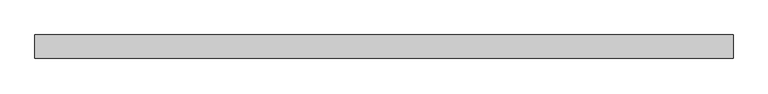
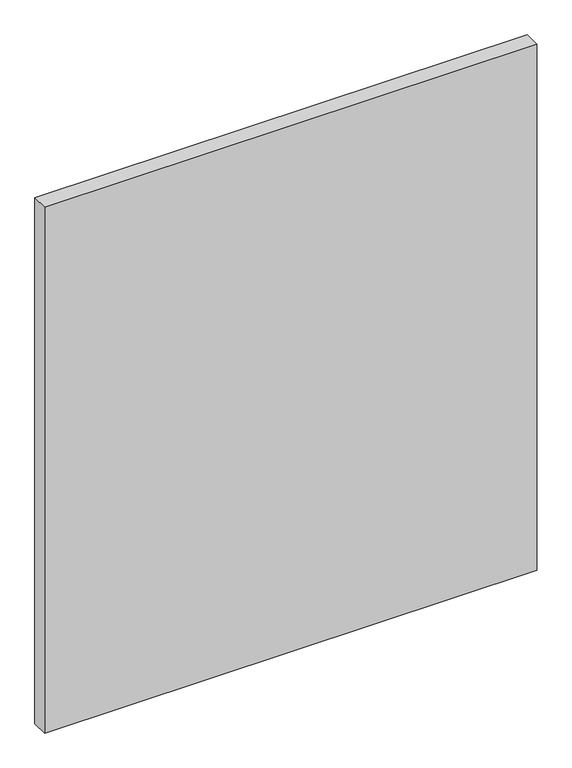
"""IFC4 building model written with IfcOpenShell, lengths in millimetres: plate geometry."""

from ifc_helpers import new_model, si_unit, origin, origin_with_axes, place, context, project, spatial, polyline, outline, extrude, source, transform, mapped, element, save


def plate_165324a7(model_context):
    return source(origin(), model_context, "Body", "SweptSolid", [
        extrude(outline(polyline([(517.9791667, -17.5), (-517.9791667, -17.5), (-517.9791667, 17.5), (517.9791667, 17.5), (517.9791667, -17.5)])), origin_with_axes(), (0.0, 0.0, 1.0), 1170.0),
    ])


if __name__ == "__main__":
    model = new_model("IFC4")
    model_context = context("Model", 3, world=origin())
    ifc_project = project(units=[si_unit("LENGTHUNIT", "METRE", prefix="MILLI")], contexts=[model_context])
    site = spatial("IfcSite", under=ifc_project)
    building = spatial("IfcBuilding", under=site)
    placement = place(None, origin())
    plate_shape = plate_165324a7(model_context)
    element("IfcPlate", 1, at=placement, inside=building, context=model_context, shape_type="MappedRepresentation", body=[
        mapped(plate_shape, transform((0.0, 0.0, 0.0), x_axis=(1.0, 0.0, 0.0), y_axis=(0.0, 1.0, 0.0), z_axis=(0.0, 0.0, 1.0))),
    ])
    save(model, "model.ifc")
